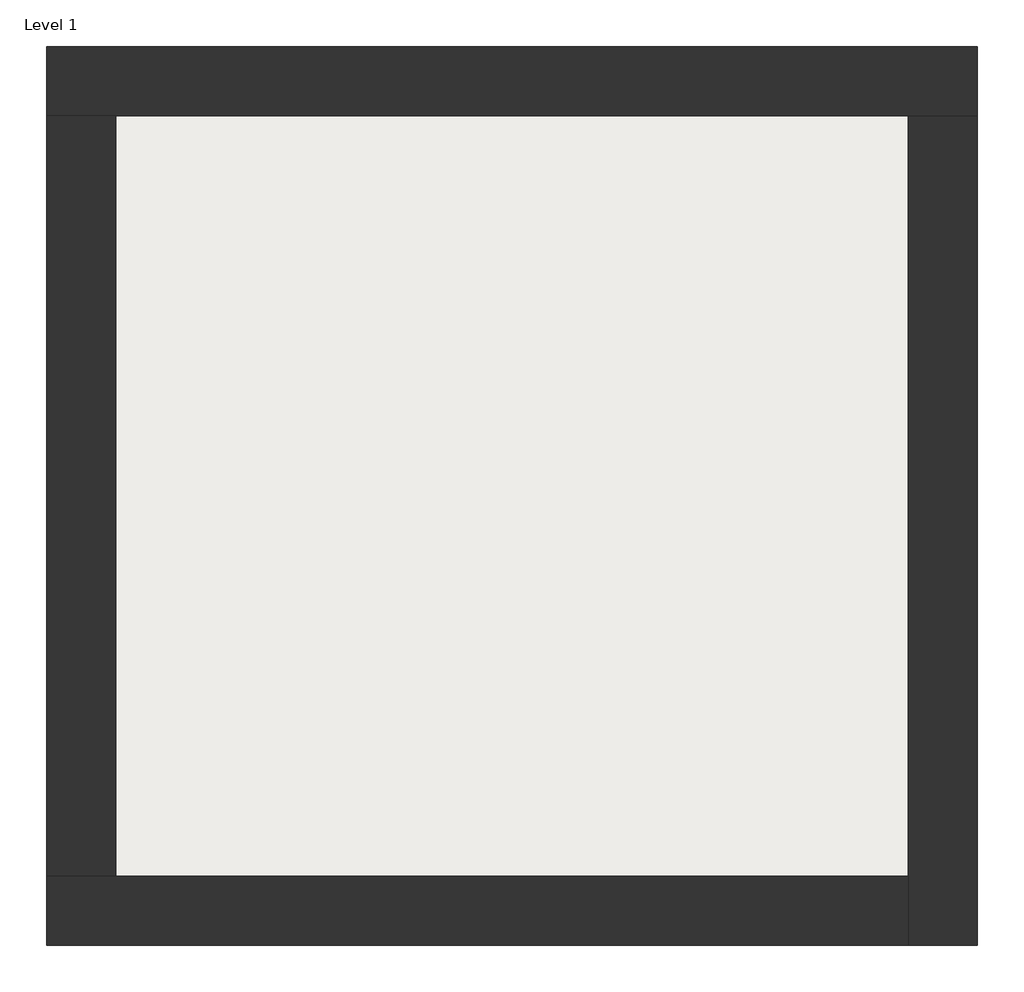
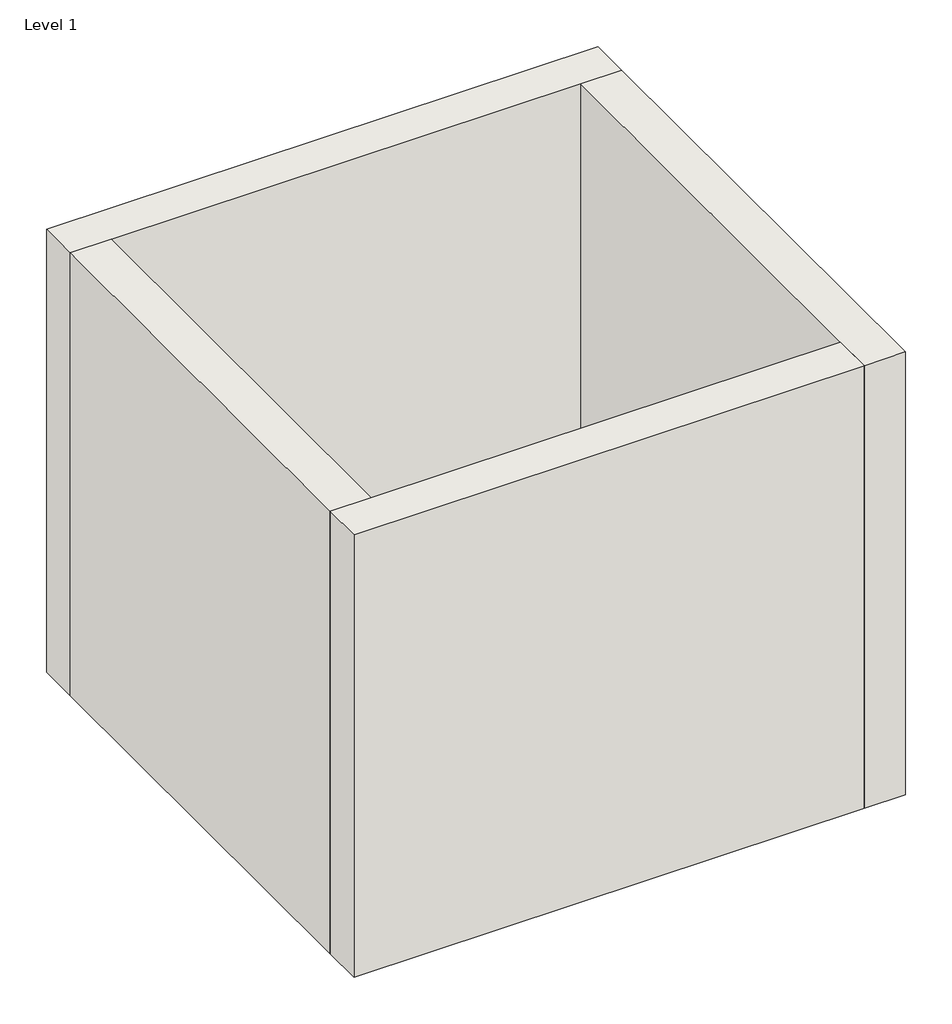
# One storey: 4 walls, 1 slab.
"""IFC4 building model written with IfcOpenShell, lengths in millimetres."""

from ifc_helpers import new_model, si_unit, frame, origin, origin_with_axes, place, context, project, spatial, polyline, outline, extrude, faceted_brep, element, save

model = new_model("IFC4")

# Units and contexts
model_context = context("Model", 3, world=origin())
ifc_project = project(units=[si_unit("LENGTHUNIT", "METRE", prefix="MILLI")], contexts=[model_context])

# Site, building, storey
site = spatial("IfcSite", under=ifc_project)
building = spatial("IfcBuilding", under=site)
storey = spatial("IfcBuildingStorey", under=building, Name="Level 1", Elevation=0.0)

# Slab
placement = place(None, origin())
element("IfcSlab", 1, at=placement, inside=storey, context=model_context, shape_type="SweptSolid", body=[
    extrude(outline(polyline([(-10869.3573003, 6934.2750283), (-10869.3573003, 3058.2750283), (-14907.8573003, 3058.2750283), (-14907.8573003, 6934.2750283), (-10869.3573003, 6934.2750283)])), frame((0.0, 0.0, -14.0), z_axis=(0.0, 0.0, 1.0), x_axis=(1.0, 0.0, 0.0)), (0.0, 0.0, 1.0), 414.0),
])

# Walls
element("IfcWall", 2, ObjectType="Exterior - Brick on Mtl. Stud", at=placement, inside=storey, context=model_context, shape_type="Brep", body=[
    faceted_brep([(-15244.8573003, 6921.2750283, 0.0), (-14894.8573003, 6921.2750283, 0.0), (-10882.3573003, 6921.2750283, 0.0), (-10532.3573003, 6921.2750283, 0.0), (-10532.3573003, 6921.2750283, 4000.0), (-10882.3573003, 6921.2750283, 4000.0), (-14894.8573003, 6921.2750283, 4000.0), (-15244.8573003, 6921.2750283, 4000.0), (-15244.8573003, 7271.2750283, 0.0), (-15244.8573003, 7271.2750283, 4000.0), (-10532.3573003, 7271.2750283, 4000.0), (-10532.3573003, 7271.2750283, 0.0)], [[[0, 1, 2, 3, 4, 5, 6, 7]], [[8, 9, 10, 11]], [[3, 2, 1, 0, 8, 11]], [[7, 6, 5, 4, 10, 9]], [[0, 7, 9, 8]], [[4, 3, 11, 10]]]),
])
element("IfcWall", 3, ObjectType="Exterior - Brick on Mtl. Stud", at=placement, inside=storey, context=model_context, shape_type="Brep", body=[
    faceted_brep([(-10882.3573003, 6921.2750283, 0.0), (-10882.3573003, 3071.2750283, 0.0), (-10882.3573003, 2721.2750283, 0.0), (-10882.3573003, 2721.2750283, 4000.0), (-10882.3573003, 3071.2750283, 4000.0), (-10882.3573003, 6921.2750283, 4000.0), (-10532.3573003, 6921.2750283, 0.0), (-10532.3573003, 6921.2750283, 4000.0), (-10532.3573003, 2721.2750283, 4000.0), (-10532.3573003, 2721.2750283, 0.0)], [[[0, 1, 2, 3, 4, 5]], [[6, 7, 8, 9]], [[2, 1, 0, 6, 9]], [[5, 4, 3, 8, 7]], [[3, 2, 9, 8]], [[0, 5, 7, 6]]]),
])
element("IfcWall", 4, ObjectType="Exterior - Brick on Mtl. Stud", at=placement, inside=storey, context=model_context, shape_type="Brep", body=[
    faceted_brep([(-10882.3573003, 3071.2750283, 0.0), (-14894.8573003, 3071.2750283, 0.0), (-15244.8573003, 3071.2750283, 0.0), (-15244.8573003, 3071.2750283, 4000.0), (-14894.8573003, 3071.2750283, 4000.0), (-10882.3573003, 3071.2750283, 4000.0), (-10882.3573003, 2721.2750283, 0.0), (-10882.3573003, 2721.2750283, 4000.0), (-15244.8573003, 2721.2750283, 4000.0), (-15244.8573003, 2721.2750283, 0.0)], [[[0, 1, 2, 3, 4, 5]], [[6, 7, 8, 9]], [[2, 1, 0, 6, 9]], [[5, 4, 3, 8, 7]], [[3, 2, 9, 8]], [[0, 5, 7, 6]]]),
])
element("IfcWall", 5, ObjectType="Exterior - Brick on Mtl. Stud", at=placement, inside=storey, context=model_context, shape_type="SweptSolid", body=[
    extrude(outline(polyline([(-14894.8573003, 6921.2750283), (-14894.8573003, 3071.2750283), (-15244.8573003, 3071.2750283), (-15244.8573003, 6921.2750283), (-14894.8573003, 6921.2750283)])), origin_with_axes(), (0.0, 0.0, 1.0), 4000.0),
])

save(model, "model.ifc")
